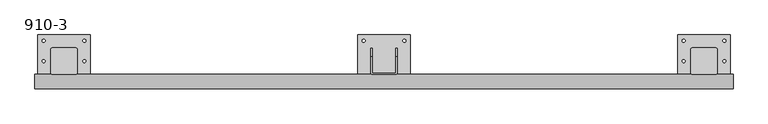
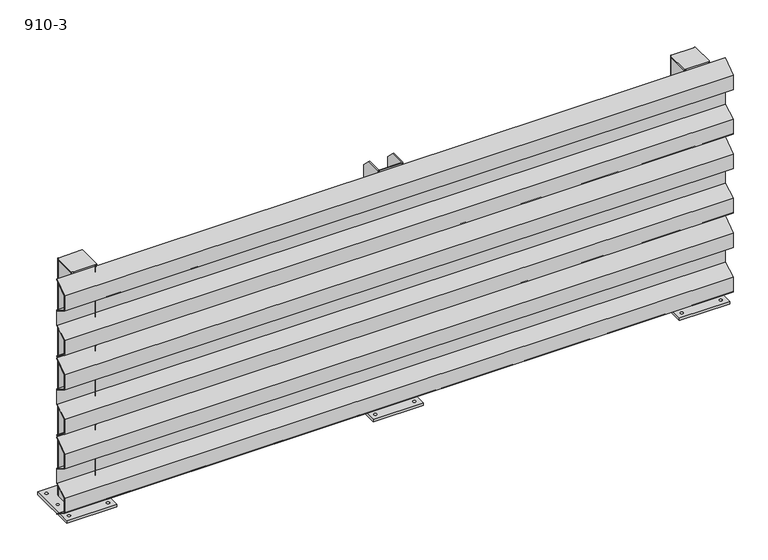
"""IFC4 building model written with IfcOpenShell, lengths in millimetres: proxy geometry, 910-3."""

from ifc_helpers import new_model, si_unit, point, frame, frame_2d, origin, origin_with_axes, place, context, project, spatial, polyline, circle_curve, trimmed, segment, composite_curve, outline, extrude, source, transform, mapped, element, save
from ifc_brep_helpers import plane_surface, cylinder_surface, revolved_surface, advanced_brep


def proxy_910_3_74930c02(model_context):
    return source(origin(), model_context, "Body", "SolidModel", [
        extrude(outline(polyline([(-45.0, 602.5500027), (-93.0, 568.5877822), (-93.0, 514.6001053), (-45.0, 486.1623259), (-45.0, 428.8381046), (-93.0, 400.4408827), (-93.0, 346.3636576), (-45.0, 312.4488566), (-45.0, 310.0), (-95.0, 345.3279177), (-95.0, 401.581456), (-47.0, 429.9786778), (-47.0, 485.0225816), (-95.0, 513.4603611), (-95.0, 569.622687), (-45.0, 605.0), (-45.0, 602.5500027)])), frame((-100.0, 0.0, 0.0), z_axis=(1.0, 0.0, 0.0), x_axis=(0.0, 1.0, 0.0)), (0.0, 0.0, 1.0), 2400.0),
        extrude(outline(polyline([(-45.0, 302.5500027), (-93.0, 268.5877822), (-93.0, 214.6001053), (-45.0, 186.1623259), (-45.0, 128.8381046), (-93.0, 100.4408827), (-93.0, 46.3636576), (-45.0, 12.4488566), (-45.0, 10.0), (-95.0, 45.3279177), (-95.0, 101.581456), (-47.0, 129.9786778), (-47.0, 185.0225816), (-95.0, 213.4603611), (-95.0, 269.622687), (-45.0, 305.0), (-45.0, 302.5500027)])), frame((-100.0, 0.0, 0.0), z_axis=(1.0, 0.0, 0.0), x_axis=(0.0, 1.0, 0.0)), (0.0, 0.0, 1.0), 2400.0),
        extrude(outline(polyline([(-45.0, 902.5500027), (-93.0, 868.5877822), (-93.0, 814.6001053), (-45.0, 786.1623259), (-45.0, 728.8381046), (-93.0, 700.4408827), (-93.0, 646.3636576), (-45.0, 612.4488566), (-45.0, 610.0), (-95.0, 645.3279177), (-95.0, 701.581456), (-47.0, 729.9786778), (-47.0, 785.0225816), (-95.0, 813.4603611), (-95.0, 869.622687), (-45.0, 905.0), (-45.0, 902.5500027)])), frame((-100.0, 0.0, 0.0), z_axis=(1.0, 0.0, 0.0), x_axis=(0.0, 1.0, 0.0)), (0.0, 0.0, 1.0), 2400.0),
        advanced_brep(
        [(1141.0, -45.0, 910.0), (1145.0, -41.0, 910.0), (1145.0, 15.0, 910.0), (1141.0, 15.0, 910.0), (1141.0, -39.0, 910.0), (1139.0, -41.0, 910.0), (1061.0, -41.0, 910.0), (1059.0, -39.0, 910.0), (1059.0, 15.0, 910.0), (1055.0, 15.0, 910.0), (1055.0, -41.0, 910.0), (1059.0, -45.0, 910.0), (1141.0, -45.0, 10.0), (1059.0, -45.0, 10.0), (1055.0, -41.0, 10.0), (1055.0, 45.0, 10.0), (1059.0, 45.0, 10.0), (1059.0, -39.0, 10.0), (1061.0, -41.0, 10.0), (1139.0, -41.0, 10.0), (1141.0, -39.0, 10.0), (1141.0, 45.0, 10.0), (1145.0, 45.0, 10.0), (1145.0, -41.0, 10.0), (1145.0, 45.0, 880.0), (1141.0, 45.0, 880.0), (1059.0, 45.0, 880.0), (1055.0, 45.0, 880.0)],
        [
            (0, 1, circle_curve(frame((1141.0, -41.0, 910.0), z_axis=(0.0, 0.0, 1.0), x_axis=(-1.0, 0.0, 0.0)), 4.0)),
            (1, 2),
            (2, 3),
            (3, 4),
            (4, 5, circle_curve(frame((1139.0, -39.0, 910.0), z_axis=(0.0, 0.0, -1.0), x_axis=(-1.0, 0.0, 0.0)), 2.0)),
            (5, 6),
            (6, 7, circle_curve(frame((1061.0, -39.0, 910.0), z_axis=(0.0, 0.0, -1.0), x_axis=(-1.0, 0.0, 0.0)), 2.0)),
            (7, 8),
            (8, 9),
            (9, 10),
            (10, 11, circle_curve(frame((1059.0, -41.0, 910.0), z_axis=(0.0, 0.0, 1.0), x_axis=(-1.0, 0.0, 0.0)), 4.0)),
            (11, 0),
            (12, 13),
            (13, 14, circle_curve(frame((1059.0, -41.0, 10.0), z_axis=(0.0, 0.0, -1.0), x_axis=(-1.0, 0.0, 0.0)), 4.0)),
            (14, 15),
            (15, 16),
            (16, 17),
            (17, 18, circle_curve(frame((1061.0, -39.0, 10.0), z_axis=(0.0, 0.0, 1.0), x_axis=(-1.0, 0.0, 0.0)), 2.0)),
            (18, 19),
            (19, 20, circle_curve(frame((1139.0, -39.0, 10.0), z_axis=(0.0, 0.0, 1.0), x_axis=(-1.0, 0.0, 0.0)), 2.0)),
            (20, 21),
            (21, 22),
            (22, 23),
            (23, 12, circle_curve(frame((1141.0, -41.0, 10.0), z_axis=(0.0, 0.0, -1.0), x_axis=(-1.0, 0.0, 0.0)), 4.0)),
            (0, 12),
            (23, 1),
            (22, 24),
            (24, 2),
            (21, 25),
            (25, 24),
            (20, 4),
            (3, 25),
            (5, 19),
            (18, 6),
            (17, 7),
            (16, 26),
            (26, 8),
            (15, 27),
            (27, 26),
            (14, 10),
            (9, 27),
            (13, 11),
        ],
        [
            plane_surface(frame((1137.0, -41.0, 910.0), z_axis=(0.0, 0.0, 1.0), x_axis=(0.0, -1.0, 0.0))),
            plane_surface(frame((1137.0, -41.0, 10.0), z_axis=(0.0, 0.0, -1.0), x_axis=(0.0, 1.0, 0.0))),
            cylinder_surface(frame((1141.0, -41.0, 10.0), z_axis=(0.0, 0.0, 1.0), x_axis=(-1.0, 0.0, 0.0)), 4.0),
            plane_surface(frame((1145.0, -41.0, 910.0), z_axis=(1.0, 0.0, 0.0), x_axis=(0.0, 0.0, -1.0))),
            plane_surface(frame((1145.0, 45.0, 910.0), z_axis=(0.0, 1.0, 0.0), x_axis=(0.0, 0.0, -1.0))),
            plane_surface(frame((1141.0, 45.0, 910.0), z_axis=(-1.0, 0.0, 0.0), x_axis=(0.0, 0.0, -1.0))),
            plane_surface(frame((1139.0, -41.0, 910.0), z_axis=(0.0, 1.0, 0.0), x_axis=(0.0, 0.0, -1.0))),
            revolved_surface(polyline([(1059.0, -39.0, 10.0), (1059.0, -39.0, 910.0)]), (1061.0, -39.0, 10.0), (0.0, 0.0, -1.0)),
            plane_surface(frame((1059.0, -39.0, 910.0), z_axis=(1.0, 0.0, 0.0), x_axis=(0.0, 0.0, -1.0))),
            plane_surface(frame((1059.0, 45.0, 910.0), z_axis=(0.0, 1.0, 0.0), x_axis=(0.0, 0.0, -1.0))),
            plane_surface(frame((1055.0, 45.0, 910.0), z_axis=(-1.0, 0.0, 0.0), x_axis=(0.0, 0.0, -1.0))),
            cylinder_surface(frame((1059.0, -41.0, 10.0), z_axis=(0.0, 0.0, 1.0), x_axis=(-1.0, 0.0, 0.0)), 4.0),
            plane_surface(frame((1059.0, -45.0, 910.0), z_axis=(0.0, -1.0, 0.0), x_axis=(0.0, 0.0, -1.0))),
            plane_surface(frame((1145.0, 15.0, 910.0), z_axis=(0.0, 0.7071067811865482, 0.7071067811865469), x_axis=(-1.0, 0.0, 0.0))),
            plane_surface(frame((1059.0, 15.0, 910.0), z_axis=(0.0, 0.7071067811865539, 0.7071067811865411), x_axis=(-1.0, 0.0, 0.0))),
            revolved_surface(polyline([(1137.0, -39.0, 10.0), (1137.0, -39.0, 910.0)]), (1139.0, -39.0, 10.0), (0.0, 0.0, -1.0)),
        ],
        [
            (0, [[1, 2, 3, 4, 5, 6, 7, 8, 9, 10, 11, 12]]),
            (1, [[13, 14, 15, 16, 17, 18, 19, 20, 21, 22, 23, 24]]),
            (2, [[-1, 25, -24, 26]]),
            (3, [[-23, 27, 28, -2, -26]]),
            (4, [[-22, 29, 30, -27]]),
            (5, [[-21, 31, -4, 32, -29]]),
            (6, [[-6, 33, -19, 34]]),
            (7, [[-7, -34, -18, 35]]),
            (8, [[-17, 36, 37, -8, -35]]),
            (9, [[-16, 38, 39, -36]]),
            (10, [[-15, 40, -10, 41, -38]]),
            (11, [[-11, -40, -14, 42]]),
            (12, [[-12, -42, -13, -25]]),
            (13, [[-3, -28, -30, -32]]),
            (14, [[-9, -37, -39, -41]]),
            (15, [[-5, -31, -20, -33]]),
        ],
    ),
        extrude(outline(polyline([(1190.0, 90.0), (1190.0, -90.0), (1010.0, -90.0), (1010.0, 90.0), (1190.0, 90.0)]), holes=[composite_curve([segment(trimmed(circle_curve(frame_2d((1030.0, 70.0)), 5.0), [point((1025.0, 70.0))], [point((1035.0, 70.0))], True, "CARTESIAN"), True, "CONTINUOUS"), segment(trimmed(circle_curve(frame_2d((1030.0, 70.0)), 5.0), [point((1035.0, 70.0))], [point((1025.0, 70.0))], True, "CARTESIAN"), True, "CONTINUOUS")], self_intersect=False), composite_curve([segment(trimmed(circle_curve(frame_2d((1170.0, 70.0)), 5.0), [point((1165.0, 70.0))], [point((1175.0, 70.0))], True, "CARTESIAN"), True, "CONTINUOUS"), segment(trimmed(circle_curve(frame_2d((1170.0, 70.0)), 5.0), [point((1175.0, 70.0))], [point((1165.0, 70.0))], True, "CARTESIAN"), True, "CONTINUOUS")], self_intersect=False), composite_curve([segment(trimmed(circle_curve(frame_2d((1030.0, -70.0)), 5.0), [point((1025.0, -70.0))], [point((1035.0, -70.0))], True, "CARTESIAN"), True, "CONTINUOUS"), segment(trimmed(circle_curve(frame_2d((1030.0, -70.0)), 5.0), [point((1035.0, -70.0))], [point((1025.0, -70.0))], True, "CARTESIAN"), True, "CONTINUOUS")], self_intersect=False), composite_curve([segment(trimmed(circle_curve(frame_2d((1170.0, -70.0)), 5.0), [point((1165.0, -70.0))], [point((1175.0, -70.0))], True, "CARTESIAN"), True, "CONTINUOUS"), segment(trimmed(circle_curve(frame_2d((1170.0, -70.0)), 5.0), [point((1175.0, -70.0))], [point((1165.0, -70.0))], True, "CARTESIAN"), True, "CONTINUOUS")], self_intersect=False)]), origin_with_axes(), (0.0, 0.0, 1.0), 10.0),
        extrude(outline(composite_curve([segment(trimmed(circle_curve(frame_2d((2241.0, 41.0)), 4.0), [point((2241.0, 45.0))], [point((2245.0, 41.0))], False, "CARTESIAN"), True, "CONTINUOUS"), segment(polyline([(2245.0, 41.0), (2245.0, -41.0)]), True, "CONTINUOUS"), segment(trimmed(circle_curve(frame_2d((2241.0, -41.0)), 4.0), [point((2245.0, -41.0))], [point((2241.0, -45.0))], False, "CARTESIAN"), True, "CONTINUOUS"), segment(polyline([(2241.0, -45.0), (2159.0, -45.0)]), True, "CONTINUOUS"), segment(trimmed(circle_curve(frame_2d((2159.0, -41.0)), 4.0), [point((2159.0, -45.0))], [point((2155.0, -41.0))], False, "CARTESIAN"), True, "CONTINUOUS"), segment(polyline([(2155.0, -41.0), (2155.0, 41.0)]), True, "CONTINUOUS"), segment(trimmed(circle_curve(frame_2d((2159.0, 41.0)), 4.0), [point((2155.0, 41.0))], [point((2159.0, 45.0))], False, "CARTESIAN"), True, "CONTINUOUS"), segment(polyline([(2159.0, 45.0), (2241.0, 45.0)]), True, "CONTINUOUS")], self_intersect=False)), frame((0.0, 0.0, 905.0), z_axis=(0.0, 0.0, 1.0), x_axis=(1.0, 0.0, 0.0)), (0.0, 0.0, 1.0), 5.0),
        extrude(outline(composite_curve([segment(polyline([(2155.0, -41.0), (2155.0, 41.0)]), True, "CONTINUOUS"), segment(trimmed(circle_curve(frame_2d((2159.0, 41.0)), 4.0), [point((2155.0, 41.0))], [point((2159.0, 45.0))], False, "CARTESIAN"), True, "CONTINUOUS"), segment(polyline([(2159.0, 45.0), (2241.0, 45.0)]), True, "CONTINUOUS"), segment(trimmed(circle_curve(frame_2d((2241.0, 41.0)), 4.0), [point((2241.0, 45.0))], [point((2245.0, 41.0))], False, "CARTESIAN"), True, "CONTINUOUS"), segment(polyline([(2245.0, 41.0), (2245.0, -41.0)]), True, "CONTINUOUS"), segment(trimmed(circle_curve(frame_2d((2241.0, -41.0)), 4.0), [point((2245.0, -41.0))], [point((2241.0, -45.0))], False, "CARTESIAN"), True, "CONTINUOUS"), segment(polyline([(2241.0, -45.0), (2159.0, -45.0)]), True, "CONTINUOUS"), segment(trimmed(circle_curve(frame_2d((2159.0, -41.0)), 4.0), [point((2159.0, -45.0))], [point((2155.0, -41.0))], False, "CARTESIAN"), True, "CONTINUOUS")], self_intersect=False), holes=[composite_curve([segment(polyline([(2239.0, 41.0), (2161.0, 41.0)]), True, "CONTINUOUS"), segment(trimmed(circle_curve(frame_2d((2161.0, 39.0)), 2.0), [point((2161.0, 41.0))], [point((2159.0, 39.0))], True, "CARTESIAN"), True, "CONTINUOUS"), segment(polyline([(2159.0, 39.0), (2159.0, -39.0)]), True, "CONTINUOUS"), segment(trimmed(circle_curve(frame_2d((2161.0, -39.0)), 2.0), [point((2159.0, -39.0))], [point((2161.0, -41.0))], True, "CARTESIAN"), True, "CONTINUOUS"), segment(polyline([(2161.0, -41.0), (2239.0, -41.0)]), True, "CONTINUOUS"), segment(trimmed(circle_curve(frame_2d((2239.0, -39.0)), 2.0), [point((2239.0, -41.0))], [point((2241.0, -39.0))], True, "CARTESIAN"), True, "CONTINUOUS"), segment(polyline([(2241.0, -39.0), (2241.0, 39.0)]), True, "CONTINUOUS"), segment(trimmed(circle_curve(frame_2d((2239.0, 39.0)), 2.0), [point((2241.0, 39.0))], [point((2239.0, 41.0))], True, "CARTESIAN"), True, "CONTINUOUS")], self_intersect=False)]), frame((0.0, 0.0, 10.0), z_axis=(0.0, 0.0, 1.0), x_axis=(1.0, 0.0, 0.0)), (0.0, 0.0, 1.0), 895.0),
        extrude(outline(polyline([(2290.0, 90.0), (2290.0, -90.0), (2110.0, -90.0), (2110.0, 90.0), (2290.0, 90.0)]), holes=[composite_curve([segment(trimmed(circle_curve(frame_2d((2130.0, 70.0)), 5.0), [point((2125.0, 70.0))], [point((2135.0, 70.0))], True, "CARTESIAN"), True, "CONTINUOUS"), segment(trimmed(circle_curve(frame_2d((2130.0, 70.0)), 5.0), [point((2135.0, 70.0))], [point((2125.0, 70.0))], True, "CARTESIAN"), True, "CONTINUOUS")], self_intersect=False), composite_curve([segment(trimmed(circle_curve(frame_2d((2130.0, 0.0)), 5.0), [point((2125.0, 0.0))], [point((2135.0, 0.0))], True, "CARTESIAN"), True, "CONTINUOUS"), segment(trimmed(circle_curve(frame_2d((2130.0, 0.0)), 5.0), [point((2135.0, 0.0))], [point((2125.0, 0.0))], True, "CARTESIAN"), True, "CONTINUOUS")], self_intersect=False), composite_curve([segment(trimmed(circle_curve(frame_2d((2130.0, -70.0)), 5.0), [point((2125.0, -70.0))], [point((2135.0, -70.0))], True, "CARTESIAN"), True, "CONTINUOUS"), segment(trimmed(circle_curve(frame_2d((2130.0, -70.0)), 5.0), [point((2135.0, -70.0))], [point((2125.0, -70.0))], True, "CARTESIAN"), True, "CONTINUOUS")], self_intersect=False), composite_curve([segment(trimmed(circle_curve(frame_2d((2270.0, -70.0)), 5.0), [point((2265.0, -70.0))], [point((2275.0, -70.0))], True, "CARTESIAN"), True, "CONTINUOUS"), segment(trimmed(circle_curve(frame_2d((2270.0, -70.0)), 5.0), [point((2275.0, -70.0))], [point((2265.0, -70.0))], True, "CARTESIAN"), True, "CONTINUOUS")], self_intersect=False), composite_curve([segment(trimmed(circle_curve(frame_2d((2270.0, 0.0)), 5.0), [point((2265.0, 0.0))], [point((2275.0, 0.0))], True, "CARTESIAN"), True, "CONTINUOUS"), segment(trimmed(circle_curve(frame_2d((2270.0, 0.0)), 5.0), [point((2275.0, 0.0))], [point((2265.0, 0.0))], True, "CARTESIAN"), True, "CONTINUOUS")], self_intersect=False), composite_curve([segment(trimmed(circle_curve(frame_2d((2270.0, 70.0)), 5.0), [point((2265.0, 70.0))], [point((2275.0, 70.0))], True, "CARTESIAN"), True, "CONTINUOUS"), segment(trimmed(circle_curve(frame_2d((2270.0, 70.0)), 5.0), [point((2275.0, 70.0))], [point((2265.0, 70.0))], True, "CARTESIAN"), True, "CONTINUOUS")], self_intersect=False)]), origin_with_axes(), (0.0, 0.0, 1.0), 10.0),
        extrude(outline(composite_curve([segment(trimmed(circle_curve(frame_2d((41.0, 41.0)), 4.0), [point((41.0, 45.0))], [point((45.0, 41.0))], False, "CARTESIAN"), True, "CONTINUOUS"), segment(polyline([(45.0, 41.0), (45.0, -41.0)]), True, "CONTINUOUS"), segment(trimmed(circle_curve(frame_2d((41.0, -41.0)), 4.0), [point((45.0, -41.0))], [point((41.0, -45.0))], False, "CARTESIAN"), True, "CONTINUOUS"), segment(polyline([(41.0, -45.0), (-41.0, -45.0)]), True, "CONTINUOUS"), segment(trimmed(circle_curve(frame_2d((-41.0, -41.0)), 4.0), [point((-41.0, -45.0))], [point((-45.0, -41.0))], False, "CARTESIAN"), True, "CONTINUOUS"), segment(polyline([(-45.0, -41.0), (-45.0, 41.0)]), True, "CONTINUOUS"), segment(trimmed(circle_curve(frame_2d((-41.0, 41.0)), 4.0), [point((-45.0, 41.0))], [point((-41.0, 45.0))], False, "CARTESIAN"), True, "CONTINUOUS"), segment(polyline([(-41.0, 45.0), (41.0, 45.0)]), True, "CONTINUOUS")], self_intersect=False)), frame((0.0, 0.0, 905.0), z_axis=(0.0, 0.0, 1.0), x_axis=(1.0, 0.0, 0.0)), (0.0, 0.0, 1.0), 5.0),
        extrude(outline(composite_curve([segment(polyline([(-45.0, -41.0), (-45.0, 41.0)]), True, "CONTINUOUS"), segment(trimmed(circle_curve(frame_2d((-41.0, 41.0)), 4.0), [point((-45.0, 41.0))], [point((-41.0, 45.0))], False, "CARTESIAN"), True, "CONTINUOUS"), segment(polyline([(-41.0, 45.0), (41.0, 45.0)]), True, "CONTINUOUS"), segment(trimmed(circle_curve(frame_2d((41.0, 41.0)), 4.0), [point((41.0, 45.0))], [point((45.0, 41.0))], False, "CARTESIAN"), True, "CONTINUOUS"), segment(polyline([(45.0, 41.0), (45.0, -41.0)]), True, "CONTINUOUS"), segment(trimmed(circle_curve(frame_2d((41.0, -41.0)), 4.0), [point((45.0, -41.0))], [point((41.0, -45.0))], False, "CARTESIAN"), True, "CONTINUOUS"), segment(polyline([(41.0, -45.0), (-41.0, -45.0)]), True, "CONTINUOUS"), segment(trimmed(circle_curve(frame_2d((-41.0, -41.0)), 4.0), [point((-41.0, -45.0))], [point((-45.0, -41.0))], False, "CARTESIAN"), True, "CONTINUOUS")], self_intersect=False), holes=[composite_curve([segment(polyline([(39.0, 41.0), (-39.0, 41.0)]), True, "CONTINUOUS"), segment(trimmed(circle_curve(frame_2d((-39.0, 39.0)), 2.0), [point((-39.0, 41.0))], [point((-41.0, 39.0))], True, "CARTESIAN"), True, "CONTINUOUS"), segment(polyline([(-41.0, 39.0), (-41.0, -39.0)]), True, "CONTINUOUS"), segment(trimmed(circle_curve(frame_2d((-39.0, -39.0)), 2.0), [point((-41.0, -39.0))], [point((-39.0, -41.0))], True, "CARTESIAN"), True, "CONTINUOUS"), segment(polyline([(-39.0, -41.0), (39.0, -41.0)]), True, "CONTINUOUS"), segment(trimmed(circle_curve(frame_2d((39.0, -39.0)), 2.0), [point((39.0, -41.0))], [point((41.0, -39.0))], True, "CARTESIAN"), True, "CONTINUOUS"), segment(polyline([(41.0, -39.0), (41.0, 39.0)]), True, "CONTINUOUS"), segment(trimmed(circle_curve(frame_2d((39.0, 39.0)), 2.0), [point((41.0, 39.0))], [point((39.0, 41.0))], True, "CARTESIAN"), True, "CONTINUOUS")], self_intersect=False)]), frame((0.0, 0.0, 10.0), z_axis=(0.0, 0.0, 1.0), x_axis=(1.0, 0.0, 0.0)), (0.0, 0.0, 1.0), 895.0),
        extrude(outline(polyline([(90.0, 90.0), (90.0, -90.0), (-90.0, -90.0), (-90.0, 90.0), (90.0, 90.0)]), holes=[composite_curve([segment(trimmed(circle_curve(frame_2d((-70.0, 70.0)), 5.0), [point((-75.0, 70.0))], [point((-65.0, 70.0))], True, "CARTESIAN"), True, "CONTINUOUS"), segment(trimmed(circle_curve(frame_2d((-70.0, 70.0)), 5.0), [point((-65.0, 70.0))], [point((-75.0, 70.0))], True, "CARTESIAN"), True, "CONTINUOUS")], self_intersect=False), composite_curve([segment(trimmed(circle_curve(frame_2d((-70.0, 0.0)), 5.0), [point((-75.0, 0.0))], [point((-65.0, 0.0))], True, "CARTESIAN"), True, "CONTINUOUS"), segment(trimmed(circle_curve(frame_2d((-70.0, 0.0)), 5.0), [point((-65.0, 0.0))], [point((-75.0, 0.0))], True, "CARTESIAN"), True, "CONTINUOUS")], self_intersect=False), composite_curve([segment(trimmed(circle_curve(frame_2d((-70.0, -70.0)), 5.0), [point((-75.0, -70.0))], [point((-65.0, -70.0))], True, "CARTESIAN"), True, "CONTINUOUS"), segment(trimmed(circle_curve(frame_2d((-70.0, -70.0)), 5.0), [point((-65.0, -70.0))], [point((-75.0, -70.0))], True, "CARTESIAN"), True, "CONTINUOUS")], self_intersect=False), composite_curve([segment(trimmed(circle_curve(frame_2d((70.0, -70.0)), 5.0), [point((65.0, -70.0))], [point((75.0, -70.0))], True, "CARTESIAN"), True, "CONTINUOUS"), segment(trimmed(circle_curve(frame_2d((70.0, -70.0)), 5.0), [point((75.0, -70.0))], [point((65.0, -70.0))], True, "CARTESIAN"), True, "CONTINUOUS")], self_intersect=False), composite_curve([segment(trimmed(circle_curve(frame_2d((70.0, 0.0)), 5.0), [point((65.0, 0.0))], [point((75.0, 0.0))], True, "CARTESIAN"), True, "CONTINUOUS"), segment(trimmed(circle_curve(frame_2d((70.0, 0.0)), 5.0), [point((75.0, 0.0))], [point((65.0, 0.0))], True, "CARTESIAN"), True, "CONTINUOUS")], self_intersect=False), composite_curve([segment(trimmed(circle_curve(frame_2d((70.0, 70.0)), 5.0), [point((65.0, 70.0))], [point((75.0, 70.0))], True, "CARTESIAN"), True, "CONTINUOUS"), segment(trimmed(circle_curve(frame_2d((70.0, 70.0)), 5.0), [point((75.0, 70.0))], [point((65.0, 70.0))], True, "CARTESIAN"), True, "CONTINUOUS")], self_intersect=False)]), origin_with_axes(), (0.0, 0.0, 1.0), 10.0),
    ])


if __name__ == "__main__":
    model = new_model("IFC4")
    model_context = context("Model", 3, world=origin())
    ifc_project = project(units=[si_unit("LENGTHUNIT", "METRE", prefix="MILLI")], contexts=[model_context])
    site = spatial("IfcSite", under=ifc_project)
    building = spatial("IfcBuilding", under=site)
    placement = place(None, origin())
    proxy_910_3_shape = proxy_910_3_74930c02(model_context)
    element("IfcBuildingElementProxy", 1, Name="910-3", ObjectType="910-3", at=placement, inside=building, context=model_context, shape_type="MappedRepresentation", body=[
        mapped(proxy_910_3_shape, transform((0.0, 0.0, 0.0), x_axis=(1.0, 0.0, 0.0), y_axis=(0.0, 1.0, 0.0), z_axis=(0.0, 0.0, 1.0))),
    ])
    save(model, "model.ifc")
